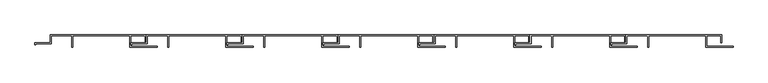
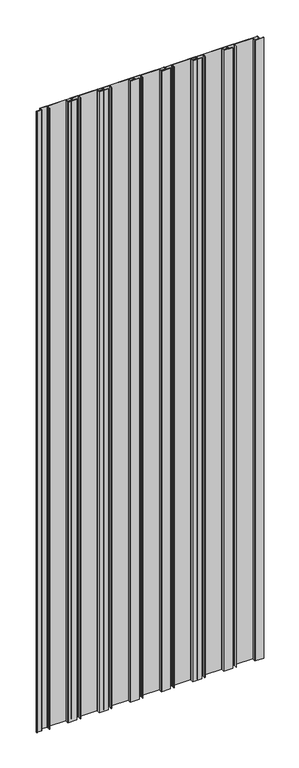
"""IFC4 building model written with IfcOpenShell, lengths in millimetres: proxy geometry."""

from ifc_helpers import new_model, si_unit, point, frame, frame_2d, origin, place, context, project, spatial, polyline, circle_curve, trimmed, segment, composite_curve, outline, extrude, source, transform, mapped, element, save


def generic_models_3cf09355(model_context):
    return source(origin(), model_context, "Body", "SweptSolid", [
        extrude(outline(composite_curve([segment(polyline([(893.7, 0.0), (893.7, 16.0)]), True, "CONTINUOUS"), segment(trimmed(circle_curve(frame_2d((893.2, 16.0)), 0.5), [point((893.7, 16.0))], [point((893.2, 16.5))], True, "CARTESIAN"), True, "CONTINUOUS"), segment(polyline([(893.2, 16.5), (864.2, 16.5)]), True, "CONTINUOUS"), segment(trimmed(circle_curve(frame_2d((864.2, 16.0)), 0.5), [point((864.2, 16.5))], [point((863.7, 16.0))], True, "CARTESIAN"), True, "CONTINUOUS"), segment(polyline([(863.7, 16.0), (863.7, 5.3)]), True, "CONTINUOUS"), segment(trimmed(circle_curve(frame_2d((863.2, 5.3)), 0.5), [point((863.7, 5.3))], [point((863.2, 4.8))], False, "CARTESIAN"), True, "CONTINUOUS"), segment(polyline([(863.2, 4.8), (841.5, 4.8), (841.5, 3.6), (840.0, 3.6), (840.0, 6.3), (861.6739146, 6.3)]), True, "CONTINUOUS"), segment(trimmed(circle_curve(frame_2d((861.6739146, 6.8260854)), 0.5260854), [point((861.6739146, 6.3))], [point((862.2, 6.8260854))], True, "CARTESIAN"), True, "CONTINUOUS"), segment(polyline([(862.2, 6.8260854), (862.2, 17.5)]), True, "CONTINUOUS"), segment(trimmed(circle_curve(frame_2d((862.7, 17.5)), 0.5), [point((862.2, 17.5))], [point((862.7, 18.0))], False, "CARTESIAN"), True, "CONTINUOUS"), segment(polyline([(862.7, 18.0), (1001.7, 18.0)]), True, "CONTINUOUS"), segment(trimmed(circle_curve(frame_2d((1001.7, 17.5)), 0.5), [point((1001.7, 18.0))], [point((1002.2, 17.5))], False, "CARTESIAN"), True, "CONTINUOUS"), segment(polyline([(1002.2, 17.5), (1002.2, 6.8), (1000.7, 6.8), (1000.7, 16.0)]), True, "CONTINUOUS"), segment(trimmed(circle_curve(frame_2d((1000.2, 16.0)), 0.5), [point((1000.7, 16.0))], [point((1000.2, 16.5))], True, "CARTESIAN"), True, "CONTINUOUS"), segment(polyline([(1000.2, 16.5), (980.5, 16.5)]), True, "CONTINUOUS"), segment(trimmed(circle_curve(frame_2d((980.5, 16.0)), 0.5), [point((980.5, 16.5))], [point((980.0, 16.0))], True, "CARTESIAN"), True, "CONTINUOUS"), segment(polyline([(980.0, 16.0), (980.0, 2.0)]), True, "CONTINUOUS"), segment(trimmed(circle_curve(frame_2d((980.5, 2.0)), 0.5), [point((980.0, 2.0))], [point((980.5, 1.5))], True, "CARTESIAN"), True, "CONTINUOUS"), segment(polyline([(980.5, 1.5), (1011.5071068, 1.5), (1018.5, 1.5), (1018.5, 0.0), (979.0, 0.0)]), True, "CONTINUOUS"), segment(trimmed(circle_curve(frame_2d((979.0, 0.5)), 0.5), [point((979.0, 0.0))], [point((978.5, 0.5))], False, "CARTESIAN"), True, "CONTINUOUS"), segment(polyline([(978.5, 0.5), (978.5, 16.0)]), True, "CONTINUOUS"), segment(trimmed(circle_curve(frame_2d((978.0, 16.0)), 0.5), [point((978.5, 16.0))], [point((978.0, 16.5))], True, "CARTESIAN"), True, "CONTINUOUS"), segment(polyline([(978.0, 16.5), (895.7106183, 16.5)]), True, "CONTINUOUS"), segment(trimmed(circle_curve(frame_2d((895.7106183, 15.9893817)), 0.5106183), [point((895.7106183, 16.5))], [point((895.2, 15.9893817))], True, "CARTESIAN"), True, "CONTINUOUS"), segment(polyline([(895.2, 15.9893817), (895.2, 9.4086959)]), True, "CONTINUOUS"), segment(trimmed(circle_curve(frame_2d((895.2, 9.1086959)), 0.3), [point((895.2, 9.4086959))], [point((895.2, 8.8086959))], False, "CARTESIAN"), True, "CONTINUOUS"), segment(polyline([(895.2, 8.8086959), (895.2, 0.0), (893.7, 0.0)]), True, "CONTINUOUS")], self_intersect=False)), frame((0.0, 0.0, 50.0), z_axis=(0.0, 0.0, 1.0), x_axis=(1.0, 0.0, 0.0)), (0.0, 0.0, 1.0), 2950.0),
        extrude(outline(composite_curve([segment(polyline([(753.7, 0.0), (753.7, 16.0)]), True, "CONTINUOUS"), segment(trimmed(circle_curve(frame_2d((753.2, 16.0)), 0.5), [point((753.7, 16.0))], [point((753.2, 16.5))], True, "CARTESIAN"), True, "CONTINUOUS"), segment(polyline([(753.2, 16.5), (724.2, 16.5)]), True, "CONTINUOUS"), segment(trimmed(circle_curve(frame_2d((724.2, 16.0)), 0.5), [point((724.2, 16.5))], [point((723.7, 16.0))], True, "CARTESIAN"), True, "CONTINUOUS"), segment(polyline([(723.7, 16.0), (723.7, 5.3)]), True, "CONTINUOUS"), segment(trimmed(circle_curve(frame_2d((723.2, 5.3)), 0.5), [point((723.7, 5.3))], [point((723.2, 4.8))], False, "CARTESIAN"), True, "CONTINUOUS"), segment(polyline([(723.2, 4.8), (701.5, 4.8), (701.5, 3.6), (700.0, 3.6), (700.0, 6.3), (721.6739146, 6.3)]), True, "CONTINUOUS"), segment(trimmed(circle_curve(frame_2d((721.6739146, 6.8260854)), 0.5260854), [point((721.6739146, 6.3))], [point((722.2, 6.8260854))], True, "CARTESIAN"), True, "CONTINUOUS"), segment(polyline([(722.2, 6.8260854), (722.2, 17.5)]), True, "CONTINUOUS"), segment(trimmed(circle_curve(frame_2d((722.7, 17.5)), 0.5), [point((722.2, 17.5))], [point((722.7, 18.0))], False, "CARTESIAN"), True, "CONTINUOUS"), segment(polyline([(722.7, 18.0), (861.7, 18.0)]), True, "CONTINUOUS"), segment(trimmed(circle_curve(frame_2d((861.7, 17.5)), 0.5), [point((861.7, 18.0))], [point((862.2, 17.5))], False, "CARTESIAN"), True, "CONTINUOUS"), segment(polyline([(862.2, 17.5), (862.2, 6.8), (860.7, 6.8), (860.7, 16.0)]), True, "CONTINUOUS"), segment(trimmed(circle_curve(frame_2d((860.2, 16.0)), 0.5), [point((860.7, 16.0))], [point((860.2, 16.5))], True, "CARTESIAN"), True, "CONTINUOUS"), segment(polyline([(860.2, 16.5), (840.5, 16.5)]), True, "CONTINUOUS"), segment(trimmed(circle_curve(frame_2d((840.5, 16.0)), 0.5), [point((840.5, 16.5))], [point((840.0, 16.0))], True, "CARTESIAN"), True, "CONTINUOUS"), segment(polyline([(840.0, 16.0), (840.0, 2.0)]), True, "CONTINUOUS"), segment(trimmed(circle_curve(frame_2d((840.5, 2.0)), 0.5), [point((840.0, 2.0))], [point((840.5, 1.5))], True, "CARTESIAN"), True, "CONTINUOUS"), segment(polyline([(840.5, 1.5), (871.5071068, 1.5), (878.5, 1.5), (878.5, 0.0), (839.0, 0.0)]), True, "CONTINUOUS"), segment(trimmed(circle_curve(frame_2d((839.0, 0.5)), 0.5), [point((839.0, 0.0))], [point((838.5, 0.5))], False, "CARTESIAN"), True, "CONTINUOUS"), segment(polyline([(838.5, 0.5), (838.5, 16.0)]), True, "CONTINUOUS"), segment(trimmed(circle_curve(frame_2d((838.0, 16.0)), 0.5), [point((838.5, 16.0))], [point((838.0, 16.5))], True, "CARTESIAN"), True, "CONTINUOUS"), segment(polyline([(838.0, 16.5), (755.7106183, 16.5)]), True, "CONTINUOUS"), segment(trimmed(circle_curve(frame_2d((755.7106183, 15.9893817)), 0.5106183), [point((755.7106183, 16.5))], [point((755.2, 15.9893817))], True, "CARTESIAN"), True, "CONTINUOUS"), segment(polyline([(755.2, 15.9893817), (755.2, 9.4086959)]), True, "CONTINUOUS"), segment(trimmed(circle_curve(frame_2d((755.2, 9.1086959)), 0.3), [point((755.2, 9.4086959))], [point((755.2, 8.8086959))], False, "CARTESIAN"), True, "CONTINUOUS"), segment(polyline([(755.2, 8.8086959), (755.2, 0.0), (753.7, 0.0)]), True, "CONTINUOUS")], self_intersect=False)), frame((0.0, 0.0, 50.0), z_axis=(0.0, 0.0, 1.0), x_axis=(1.0, 0.0, 0.0)), (0.0, 0.0, 1.0), 2950.0),
        extrude(outline(composite_curve([segment(polyline([(613.7, 0.0), (613.7, 16.0)]), True, "CONTINUOUS"), segment(trimmed(circle_curve(frame_2d((613.2, 16.0)), 0.5), [point((613.7, 16.0))], [point((613.2, 16.5))], True, "CARTESIAN"), True, "CONTINUOUS"), segment(polyline([(613.2, 16.5), (584.2, 16.5)]), True, "CONTINUOUS"), segment(trimmed(circle_curve(frame_2d((584.2, 16.0)), 0.5), [point((584.2, 16.5))], [point((583.7, 16.0))], True, "CARTESIAN"), True, "CONTINUOUS"), segment(polyline([(583.7, 16.0), (583.7, 5.3)]), True, "CONTINUOUS"), segment(trimmed(circle_curve(frame_2d((583.2, 5.3)), 0.5), [point((583.7, 5.3))], [point((583.2, 4.8))], False, "CARTESIAN"), True, "CONTINUOUS"), segment(polyline([(583.2, 4.8), (561.5, 4.8), (561.5, 3.6), (560.0, 3.6), (560.0, 6.3), (581.6739146, 6.3)]), True, "CONTINUOUS"), segment(trimmed(circle_curve(frame_2d((581.6739146, 6.8260854)), 0.5260854), [point((581.6739146, 6.3))], [point((582.2, 6.8260854))], True, "CARTESIAN"), True, "CONTINUOUS"), segment(polyline([(582.2, 6.8260854), (582.2, 17.5)]), True, "CONTINUOUS"), segment(trimmed(circle_curve(frame_2d((582.7, 17.5)), 0.5), [point((582.2, 17.5))], [point((582.7, 18.0))], False, "CARTESIAN"), True, "CONTINUOUS"), segment(polyline([(582.7, 18.0), (721.7, 18.0)]), True, "CONTINUOUS"), segment(trimmed(circle_curve(frame_2d((721.7, 17.5)), 0.5), [point((721.7, 18.0))], [point((722.2, 17.5))], False, "CARTESIAN"), True, "CONTINUOUS"), segment(polyline([(722.2, 17.5), (722.2, 6.8), (720.7, 6.8), (720.7, 16.0)]), True, "CONTINUOUS"), segment(trimmed(circle_curve(frame_2d((720.2, 16.0)), 0.5), [point((720.7, 16.0))], [point((720.2, 16.5))], True, "CARTESIAN"), True, "CONTINUOUS"), segment(polyline([(720.2, 16.5), (700.5, 16.5)]), True, "CONTINUOUS"), segment(trimmed(circle_curve(frame_2d((700.5, 16.0)), 0.5), [point((700.5, 16.5))], [point((700.0, 16.0))], True, "CARTESIAN"), True, "CONTINUOUS"), segment(polyline([(700.0, 16.0), (700.0, 2.0)]), True, "CONTINUOUS"), segment(trimmed(circle_curve(frame_2d((700.5, 2.0)), 0.5), [point((700.0, 2.0))], [point((700.5, 1.5))], True, "CARTESIAN"), True, "CONTINUOUS"), segment(polyline([(700.5, 1.5), (731.5071068, 1.5), (738.5, 1.5), (738.5, 0.0), (699.0, 0.0)]), True, "CONTINUOUS"), segment(trimmed(circle_curve(frame_2d((699.0, 0.5)), 0.5), [point((699.0, 0.0))], [point((698.5, 0.5))], False, "CARTESIAN"), True, "CONTINUOUS"), segment(polyline([(698.5, 0.5), (698.5, 16.0)]), True, "CONTINUOUS"), segment(trimmed(circle_curve(frame_2d((698.0, 16.0)), 0.5), [point((698.5, 16.0))], [point((698.0, 16.5))], True, "CARTESIAN"), True, "CONTINUOUS"), segment(polyline([(698.0, 16.5), (615.7106183, 16.5)]), True, "CONTINUOUS"), segment(trimmed(circle_curve(frame_2d((615.7106183, 15.9893817)), 0.5106183), [point((615.7106183, 16.5))], [point((615.2, 15.9893817))], True, "CARTESIAN"), True, "CONTINUOUS"), segment(polyline([(615.2, 15.9893817), (615.2, 9.4086959)]), True, "CONTINUOUS"), segment(trimmed(circle_curve(frame_2d((615.2, 9.1086959)), 0.3), [point((615.2, 9.4086959))], [point((615.2, 8.8086959))], False, "CARTESIAN"), True, "CONTINUOUS"), segment(polyline([(615.2, 8.8086959), (615.2, 0.0), (613.7, 0.0)]), True, "CONTINUOUS")], self_intersect=False)), frame((0.0, 0.0, 50.0), z_axis=(0.0, 0.0, 1.0), x_axis=(1.0, 0.0, 0.0)), (0.0, 0.0, 1.0), 2950.0),
        extrude(outline(composite_curve([segment(polyline([(473.7, 0.0), (473.7, 16.0)]), True, "CONTINUOUS"), segment(trimmed(circle_curve(frame_2d((473.2, 16.0)), 0.5), [point((473.7, 16.0))], [point((473.2, 16.5))], True, "CARTESIAN"), True, "CONTINUOUS"), segment(polyline([(473.2, 16.5), (444.2, 16.5)]), True, "CONTINUOUS"), segment(trimmed(circle_curve(frame_2d((444.2, 16.0)), 0.5), [point((444.2, 16.5))], [point((443.7, 16.0))], True, "CARTESIAN"), True, "CONTINUOUS"), segment(polyline([(443.7, 16.0), (443.7, 5.3)]), True, "CONTINUOUS"), segment(trimmed(circle_curve(frame_2d((443.2, 5.3)), 0.5), [point((443.7, 5.3))], [point((443.2, 4.8))], False, "CARTESIAN"), True, "CONTINUOUS"), segment(polyline([(443.2, 4.8), (421.5, 4.8), (421.5, 3.6), (420.0, 3.6), (420.0, 6.3), (441.6739146, 6.3)]), True, "CONTINUOUS"), segment(trimmed(circle_curve(frame_2d((441.6739146, 6.8260854)), 0.5260854), [point((441.6739146, 6.3))], [point((442.2, 6.8260854))], True, "CARTESIAN"), True, "CONTINUOUS"), segment(polyline([(442.2, 6.8260854), (442.2, 17.5)]), True, "CONTINUOUS"), segment(trimmed(circle_curve(frame_2d((442.7, 17.5)), 0.5), [point((442.2, 17.5))], [point((442.7, 18.0))], False, "CARTESIAN"), True, "CONTINUOUS"), segment(polyline([(442.7, 18.0), (581.7, 18.0)]), True, "CONTINUOUS"), segment(trimmed(circle_curve(frame_2d((581.7, 17.5)), 0.5), [point((581.7, 18.0))], [point((582.2, 17.5))], False, "CARTESIAN"), True, "CONTINUOUS"), segment(polyline([(582.2, 17.5), (582.2, 6.8), (580.7, 6.8), (580.7, 16.0)]), True, "CONTINUOUS"), segment(trimmed(circle_curve(frame_2d((580.2, 16.0)), 0.5), [point((580.7, 16.0))], [point((580.2, 16.5))], True, "CARTESIAN"), True, "CONTINUOUS"), segment(polyline([(580.2, 16.5), (560.5, 16.5)]), True, "CONTINUOUS"), segment(trimmed(circle_curve(frame_2d((560.5, 16.0)), 0.5), [point((560.5, 16.5))], [point((560.0, 16.0))], True, "CARTESIAN"), True, "CONTINUOUS"), segment(polyline([(560.0, 16.0), (560.0, 2.0)]), True, "CONTINUOUS"), segment(trimmed(circle_curve(frame_2d((560.5, 2.0)), 0.5), [point((560.0, 2.0))], [point((560.5, 1.5))], True, "CARTESIAN"), True, "CONTINUOUS"), segment(polyline([(560.5, 1.5), (591.5071068, 1.5), (598.5, 1.5), (598.5, 0.0), (559.0, 0.0)]), True, "CONTINUOUS"), segment(trimmed(circle_curve(frame_2d((559.0, 0.5)), 0.5), [point((559.0, 0.0))], [point((558.5, 0.5))], False, "CARTESIAN"), True, "CONTINUOUS"), segment(polyline([(558.5, 0.5), (558.5, 16.0)]), True, "CONTINUOUS"), segment(trimmed(circle_curve(frame_2d((558.0, 16.0)), 0.5), [point((558.5, 16.0))], [point((558.0, 16.5))], True, "CARTESIAN"), True, "CONTINUOUS"), segment(polyline([(558.0, 16.5), (475.7106183, 16.5)]), True, "CONTINUOUS"), segment(trimmed(circle_curve(frame_2d((475.7106183, 15.9893817)), 0.5106183), [point((475.7106183, 16.5))], [point((475.2, 15.9893817))], True, "CARTESIAN"), True, "CONTINUOUS"), segment(polyline([(475.2, 15.9893817), (475.2, 9.4086959)]), True, "CONTINUOUS"), segment(trimmed(circle_curve(frame_2d((475.2, 9.1086959)), 0.3), [point((475.2, 9.4086959))], [point((475.2, 8.8086959))], False, "CARTESIAN"), True, "CONTINUOUS"), segment(polyline([(475.2, 8.8086959), (475.2, 0.0), (473.7, 0.0)]), True, "CONTINUOUS")], self_intersect=False)), frame((0.0, 0.0, 50.0), z_axis=(0.0, 0.0, 1.0), x_axis=(1.0, 0.0, 0.0)), (0.0, 0.0, 1.0), 2950.0),
        extrude(outline(composite_curve([segment(polyline([(333.7, 0.0), (333.7, 16.0)]), True, "CONTINUOUS"), segment(trimmed(circle_curve(frame_2d((333.2, 16.0)), 0.5), [point((333.7, 16.0))], [point((333.2, 16.5))], True, "CARTESIAN"), True, "CONTINUOUS"), segment(polyline([(333.2, 16.5), (304.2, 16.5)]), True, "CONTINUOUS"), segment(trimmed(circle_curve(frame_2d((304.2, 16.0)), 0.5), [point((304.2, 16.5))], [point((303.7, 16.0))], True, "CARTESIAN"), True, "CONTINUOUS"), segment(polyline([(303.7, 16.0), (303.7, 5.3)]), True, "CONTINUOUS"), segment(trimmed(circle_curve(frame_2d((303.2, 5.3)), 0.5), [point((303.7, 5.3))], [point((303.2, 4.8))], False, "CARTESIAN"), True, "CONTINUOUS"), segment(polyline([(303.2, 4.8), (281.5, 4.8), (281.5, 3.6), (280.0, 3.6), (280.0, 6.3), (301.6739146, 6.3)]), True, "CONTINUOUS"), segment(trimmed(circle_curve(frame_2d((301.6739146, 6.8260854)), 0.5260854), [point((301.6739146, 6.3))], [point((302.2, 6.8260854))], True, "CARTESIAN"), True, "CONTINUOUS"), segment(polyline([(302.2, 6.8260854), (302.2, 17.5)]), True, "CONTINUOUS"), segment(trimmed(circle_curve(frame_2d((302.7, 17.5)), 0.5), [point((302.2, 17.5))], [point((302.7, 18.0))], False, "CARTESIAN"), True, "CONTINUOUS"), segment(polyline([(302.7, 18.0), (441.7, 18.0)]), True, "CONTINUOUS"), segment(trimmed(circle_curve(frame_2d((441.7, 17.5)), 0.5), [point((441.7, 18.0))], [point((442.2, 17.5))], False, "CARTESIAN"), True, "CONTINUOUS"), segment(polyline([(442.2, 17.5), (442.2, 6.8), (440.7, 6.8), (440.7, 16.0)]), True, "CONTINUOUS"), segment(trimmed(circle_curve(frame_2d((440.2, 16.0)), 0.5), [point((440.7, 16.0))], [point((440.2, 16.5))], True, "CARTESIAN"), True, "CONTINUOUS"), segment(polyline([(440.2, 16.5), (420.5, 16.5)]), True, "CONTINUOUS"), segment(trimmed(circle_curve(frame_2d((420.5, 16.0)), 0.5), [point((420.5, 16.5))], [point((420.0, 16.0))], True, "CARTESIAN"), True, "CONTINUOUS"), segment(polyline([(420.0, 16.0), (420.0, 2.0)]), True, "CONTINUOUS"), segment(trimmed(circle_curve(frame_2d((420.5, 2.0)), 0.5), [point((420.0, 2.0))], [point((420.5, 1.5))], True, "CARTESIAN"), True, "CONTINUOUS"), segment(polyline([(420.5, 1.5), (451.5071068, 1.5), (458.5, 1.5), (458.5, 0.0), (419.0, 0.0)]), True, "CONTINUOUS"), segment(trimmed(circle_curve(frame_2d((419.0, 0.5)), 0.5), [point((419.0, 0.0))], [point((418.5, 0.5))], False, "CARTESIAN"), True, "CONTINUOUS"), segment(polyline([(418.5, 0.5), (418.5, 16.0)]), True, "CONTINUOUS"), segment(trimmed(circle_curve(frame_2d((418.0, 16.0)), 0.5), [point((418.5, 16.0))], [point((418.0, 16.5))], True, "CARTESIAN"), True, "CONTINUOUS"), segment(polyline([(418.0, 16.5), (335.7106183, 16.5)]), True, "CONTINUOUS"), segment(trimmed(circle_curve(frame_2d((335.7106183, 15.9893817)), 0.5106183), [point((335.7106183, 16.5))], [point((335.2, 15.9893817))], True, "CARTESIAN"), True, "CONTINUOUS"), segment(polyline([(335.2, 15.9893817), (335.2, 9.4086959)]), True, "CONTINUOUS"), segment(trimmed(circle_curve(frame_2d((335.2, 9.1086959)), 0.3), [point((335.2, 9.4086959))], [point((335.2, 8.8086959))], False, "CARTESIAN"), True, "CONTINUOUS"), segment(polyline([(335.2, 8.8086959), (335.2, 0.0), (333.7, 0.0)]), True, "CONTINUOUS")], self_intersect=False)), frame((0.0, 0.0, 50.0), z_axis=(0.0, 0.0, 1.0), x_axis=(1.0, 0.0, 0.0)), (0.0, 0.0, 1.0), 2950.0),
        extrude(outline(composite_curve([segment(polyline([(193.7, 0.0), (193.7, 16.0)]), True, "CONTINUOUS"), segment(trimmed(circle_curve(frame_2d((193.2, 16.0)), 0.5), [point((193.7, 16.0))], [point((193.2, 16.5))], True, "CARTESIAN"), True, "CONTINUOUS"), segment(polyline([(193.2, 16.5), (164.2, 16.5)]), True, "CONTINUOUS"), segment(trimmed(circle_curve(frame_2d((164.2, 16.0)), 0.5), [point((164.2, 16.5))], [point((163.7, 16.0))], True, "CARTESIAN"), True, "CONTINUOUS"), segment(polyline([(163.7, 16.0), (163.7, 5.3)]), True, "CONTINUOUS"), segment(trimmed(circle_curve(frame_2d((163.2, 5.3)), 0.5), [point((163.7, 5.3))], [point((163.2, 4.8))], False, "CARTESIAN"), True, "CONTINUOUS"), segment(polyline([(163.2, 4.8), (141.5, 4.8), (141.5, 3.6), (140.0, 3.6), (140.0, 6.3), (161.6739146, 6.3)]), True, "CONTINUOUS"), segment(trimmed(circle_curve(frame_2d((161.6739146, 6.8260854)), 0.5260854), [point((161.6739146, 6.3))], [point((162.2, 6.8260854))], True, "CARTESIAN"), True, "CONTINUOUS"), segment(polyline([(162.2, 6.8260854), (162.2, 17.5)]), True, "CONTINUOUS"), segment(trimmed(circle_curve(frame_2d((162.7, 17.5)), 0.5), [point((162.2, 17.5))], [point((162.7, 18.0))], False, "CARTESIAN"), True, "CONTINUOUS"), segment(polyline([(162.7, 18.0), (301.7, 18.0)]), True, "CONTINUOUS"), segment(trimmed(circle_curve(frame_2d((301.7, 17.5)), 0.5), [point((301.7, 18.0))], [point((302.2, 17.5))], False, "CARTESIAN"), True, "CONTINUOUS"), segment(polyline([(302.2, 17.5), (302.2, 6.8), (300.7, 6.8), (300.7, 16.0)]), True, "CONTINUOUS"), segment(trimmed(circle_curve(frame_2d((300.2, 16.0)), 0.5), [point((300.7, 16.0))], [point((300.2, 16.5))], True, "CARTESIAN"), True, "CONTINUOUS"), segment(polyline([(300.2, 16.5), (280.5, 16.5)]), True, "CONTINUOUS"), segment(trimmed(circle_curve(frame_2d((280.5, 16.0)), 0.5), [point((280.5, 16.5))], [point((280.0, 16.0))], True, "CARTESIAN"), True, "CONTINUOUS"), segment(polyline([(280.0, 16.0), (280.0, 2.0)]), True, "CONTINUOUS"), segment(trimmed(circle_curve(frame_2d((280.5, 2.0)), 0.5), [point((280.0, 2.0))], [point((280.5, 1.5))], True, "CARTESIAN"), True, "CONTINUOUS"), segment(polyline([(280.5, 1.5), (311.5071068, 1.5), (318.5, 1.5), (318.5, 0.0), (279.0, 0.0)]), True, "CONTINUOUS"), segment(trimmed(circle_curve(frame_2d((279.0, 0.5)), 0.5), [point((279.0, 0.0))], [point((278.5, 0.5))], False, "CARTESIAN"), True, "CONTINUOUS"), segment(polyline([(278.5, 0.5), (278.5, 16.0)]), True, "CONTINUOUS"), segment(trimmed(circle_curve(frame_2d((278.0, 16.0)), 0.5), [point((278.5, 16.0))], [point((278.0, 16.5))], True, "CARTESIAN"), True, "CONTINUOUS"), segment(polyline([(278.0, 16.5), (195.7106183, 16.5)]), True, "CONTINUOUS"), segment(trimmed(circle_curve(frame_2d((195.7106183, 15.9893817)), 0.5106183), [point((195.7106183, 16.5))], [point((195.2, 15.9893817))], True, "CARTESIAN"), True, "CONTINUOUS"), segment(polyline([(195.2, 15.9893817), (195.2, 9.4086959)]), True, "CONTINUOUS"), segment(trimmed(circle_curve(frame_2d((195.2, 9.1086959)), 0.3), [point((195.2, 9.4086959))], [point((195.2, 8.8086959))], False, "CARTESIAN"), True, "CONTINUOUS"), segment(polyline([(195.2, 8.8086959), (195.2, 0.0), (193.7, 0.0)]), True, "CONTINUOUS")], self_intersect=False)), frame((0.0, 0.0, 50.0), z_axis=(0.0, 0.0, 1.0), x_axis=(1.0, 0.0, 0.0)), (0.0, 0.0, 1.0), 2950.0),
        extrude(outline(composite_curve([segment(polyline([(53.7, 0.0), (53.7, 16.0)]), True, "CONTINUOUS"), segment(trimmed(circle_curve(frame_2d((53.2, 16.0)), 0.5), [point((53.7, 16.0))], [point((53.2, 16.5))], True, "CARTESIAN"), True, "CONTINUOUS"), segment(polyline([(53.2, 16.5), (24.2, 16.5)]), True, "CONTINUOUS"), segment(trimmed(circle_curve(frame_2d((24.2, 16.0)), 0.5), [point((24.2, 16.5))], [point((23.7, 16.0))], True, "CARTESIAN"), True, "CONTINUOUS"), segment(polyline([(23.7, 16.0), (23.7, 5.3)]), True, "CONTINUOUS"), segment(trimmed(circle_curve(frame_2d((23.2, 5.3)), 0.5), [point((23.7, 5.3))], [point((23.2, 4.8))], False, "CARTESIAN"), True, "CONTINUOUS"), segment(polyline([(23.2, 4.8), (1.5, 4.8), (1.5, 3.6), (0.0, 3.6), (0.0, 6.3), (21.6739146, 6.3)]), True, "CONTINUOUS"), segment(trimmed(circle_curve(frame_2d((21.6739146, 6.8260854)), 0.5260854), [point((21.6739146, 6.3))], [point((22.2, 6.8260854))], True, "CARTESIAN"), True, "CONTINUOUS"), segment(polyline([(22.2, 6.8260854), (22.2, 17.5)]), True, "CONTINUOUS"), segment(trimmed(circle_curve(frame_2d((22.7, 17.5)), 0.5), [point((22.2, 17.5))], [point((22.7, 18.0))], False, "CARTESIAN"), True, "CONTINUOUS"), segment(polyline([(22.7, 18.0), (161.7, 18.0)]), True, "CONTINUOUS"), segment(trimmed(circle_curve(frame_2d((161.7, 17.5)), 0.5), [point((161.7, 18.0))], [point((162.2, 17.5))], False, "CARTESIAN"), True, "CONTINUOUS"), segment(polyline([(162.2, 17.5), (162.2, 6.8), (160.7, 6.8), (160.7, 16.0)]), True, "CONTINUOUS"), segment(trimmed(circle_curve(frame_2d((160.2, 16.0)), 0.5), [point((160.7, 16.0))], [point((160.2, 16.5))], True, "CARTESIAN"), True, "CONTINUOUS"), segment(polyline([(160.2, 16.5), (140.5, 16.5)]), True, "CONTINUOUS"), segment(trimmed(circle_curve(frame_2d((140.5, 16.0)), 0.5), [point((140.5, 16.5))], [point((140.0, 16.0))], True, "CARTESIAN"), True, "CONTINUOUS"), segment(polyline([(140.0, 16.0), (140.0, 2.0)]), True, "CONTINUOUS"), segment(trimmed(circle_curve(frame_2d((140.5, 2.0)), 0.5), [point((140.0, 2.0))], [point((140.5, 1.5))], True, "CARTESIAN"), True, "CONTINUOUS"), segment(polyline([(140.5, 1.5), (171.5071068, 1.5), (178.5, 1.5), (178.5, 0.0), (139.0, 0.0)]), True, "CONTINUOUS"), segment(trimmed(circle_curve(frame_2d((139.0, 0.5)), 0.5), [point((139.0, 0.0))], [point((138.5, 0.5))], False, "CARTESIAN"), True, "CONTINUOUS"), segment(polyline([(138.5, 0.5), (138.5, 16.0)]), True, "CONTINUOUS"), segment(trimmed(circle_curve(frame_2d((138.0, 16.0)), 0.5), [point((138.5, 16.0))], [point((138.0, 16.5))], True, "CARTESIAN"), True, "CONTINUOUS"), segment(polyline([(138.0, 16.5), (55.7106183, 16.5)]), True, "CONTINUOUS"), segment(trimmed(circle_curve(frame_2d((55.7106183, 15.9893817)), 0.5106183), [point((55.7106183, 16.5))], [point((55.2, 15.9893817))], True, "CARTESIAN"), True, "CONTINUOUS"), segment(polyline([(55.2, 15.9893817), (55.2, 9.4086959)]), True, "CONTINUOUS"), segment(trimmed(circle_curve(frame_2d((55.2, 9.1086959)), 0.3), [point((55.2, 9.4086959))], [point((55.2, 8.8086959))], False, "CARTESIAN"), True, "CONTINUOUS"), segment(polyline([(55.2, 8.8086959), (55.2, 0.0), (53.7, 0.0)]), True, "CONTINUOUS")], self_intersect=False)), frame((0.0, 0.0, 50.0), z_axis=(0.0, 0.0, 1.0), x_axis=(1.0, 0.0, 0.0)), (0.0, 0.0, 1.0), 2950.0),
    ])


if __name__ == "__main__":
    model = new_model("IFC4")
    model_context = context("Model", 3, world=origin())
    ifc_project = project(units=[si_unit("LENGTHUNIT", "METRE", prefix="MILLI")], contexts=[model_context])
    site = spatial("IfcSite", under=ifc_project)
    building = spatial("IfcBuilding", under=site)
    placement = place(None, origin())
    generic_models_shape = generic_models_3cf09355(model_context)
    element("IfcBuildingElementProxy", 1, Name="Generic Models", at=placement, inside=building, context=model_context, shape_type="MappedRepresentation", body=[
        mapped(generic_models_shape, transform((0.0, 0.0, 0.0), x_axis=(1.0, 0.0, 0.0), y_axis=(0.0, 1.0, 0.0), z_axis=(0.0, 0.0, 1.0))),
    ])
    save(model, "model.ifc")
